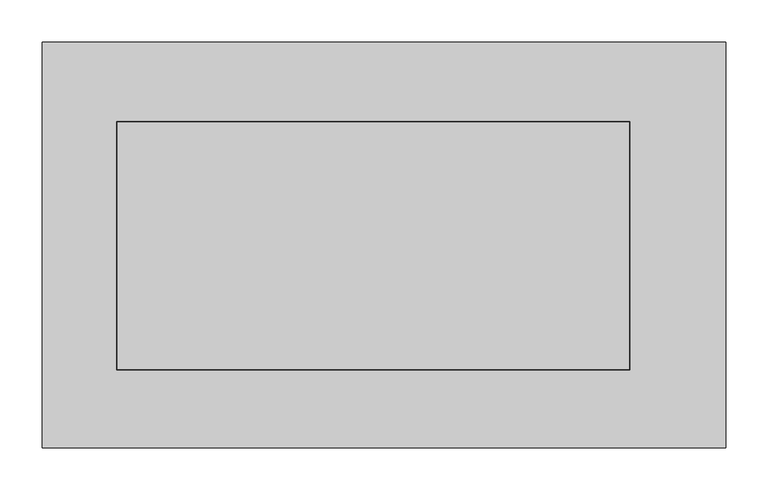
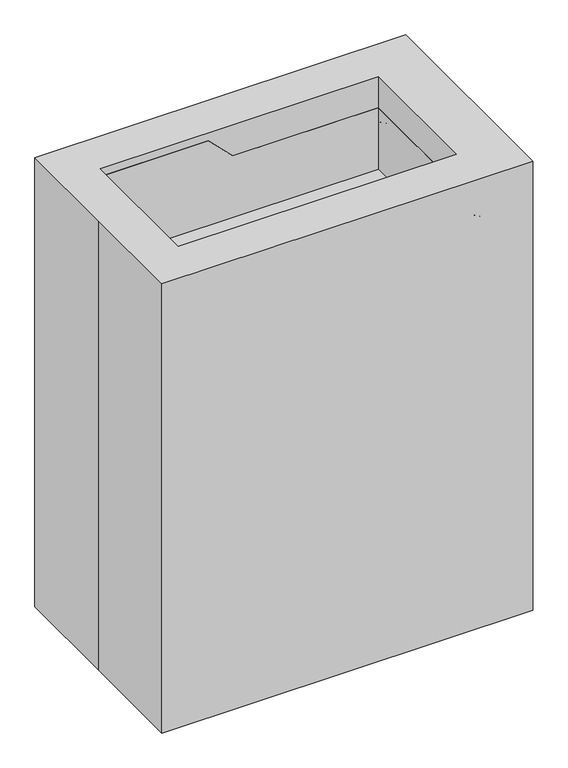
"""IFC4 building model written with IfcOpenShell, lengths in millimetres: proxy geometry."""

from ifc_helpers import new_model, si_unit, point, frame, frame_2d, origin, place, context, project, spatial, polyline, circle_curve, ellipse_curve, trimmed, segment, composite_curve, outline, extrude, faceted_brep, source, transform, mapped, element, save
from ifc_brep_helpers import plane_surface, cylinder_surface, revolved_surface, advanced_brep


def specialty_equipment_c3e9e42a(model_context):
    return source(origin(), model_context, "Body", "SolidModel", [
        faceted_brep([(-80.796148, -164.5814209, 1023.721867), (-334.796148, -164.5814209, 1023.721867), (-334.796148, -164.5814209, 804.7403302), (309.6353887, -164.5814209, 804.7403302), (309.6353887, -164.5814209, 969.8403302), (-26.9146113, -164.5814209, 969.8403302), (-80.796148, 163.9664234, 1023.721867), (-26.9146113, 163.9664234, 969.8403302), (309.6353887, 163.9664234, 969.8403302), (309.6353887, 163.9664234, 804.7403302), (-334.796148, 163.9664234, 804.7403302), (-334.796148, 163.9664234, 1023.721867), (-80.796148, -148.8135892, 1023.721867), (-317.5, -148.8135892, 1023.721867), (-317.5, 146.7519925, 1023.721867), (-80.796148, 146.7519925, 1023.721867), (-26.9146113, 146.7519925, 969.8403302), (292.1, 146.7519925, 969.8403302), (292.1, -148.8135892, 969.8403302), (-26.9146113, -148.8135892, 969.8403302), (-317.5, -148.8135892, 826.871867), (292.1, -148.8135892, 826.871867), (-317.5, 146.7519925, 826.871867), (292.1, 146.7519925, 826.871867)], [[[0, 1, 2, 3, 4, 5]], [[6, 7, 8, 9, 10, 11]], [[1, 0, 12, 13, 14, 15, 6, 11]], [[2, 1, 11, 10]], [[3, 2, 10, 9]], [[4, 3, 9, 8]], [[5, 4, 8, 7, 16, 17, 18, 19]], [[0, 5, 19, 12]], [[7, 6, 15, 16]], [[20, 13, 12, 19, 18, 21]], [[22, 23, 17, 16, 15, 14]], [[20, 21, 23, 22]], [[23, 21, 18, 17]], [[13, 20, 22, 14]]]),
        advanced_brep(
        [(-380.363865, -160.8666667, 45.2201722), (-380.363865, -194.7333333, 45.2201722), (-380.363865, -160.8666667, 858.0201722), (-380.363865, -194.7333333, 858.0201722), (-304.163865, -160.8666667, 934.2201722), (-304.163865, -194.7333333, 934.2201722), (288.5028017, -160.8666667, 934.2201722), (288.5028017, -194.7333333, 934.2201722), (364.7028017, -160.8666667, 858.0201722), (364.7028017, -194.7333333, 858.0201722), (364.7028017, -160.8666667, 45.2201722), (364.7028017, -194.7333333, 45.2201722)],
        [
            (0, 1, circle_curve(frame((-380.363865, -177.8, 45.2201722), z_axis=(0.0, 0.0, -1.0), x_axis=(-1.0, 0.0, 0.0)), 16.9333333)),
            (1, 0, circle_curve(frame((-380.363865, -177.8, 45.2201722), z_axis=(0.0, 0.0, -1.0), x_axis=(-1.0, 0.0, 0.0)), 16.9333333)),
            (0, 2),
            (2, 3, circle_curve(frame((-380.363865, -177.8, 858.0201722), z_axis=(0.0, 0.0, -1.0), x_axis=(-1.0, 0.0, 0.0)), 16.9333333)),
            (3, 1),
            (3, 2, circle_curve(frame((-380.363865, -177.8, 858.0201722), z_axis=(0.0, 0.0, -1.0), x_axis=(-1.0, 0.0, 0.0)), 16.9333333)),
            (2, 4, circle_curve(frame((-304.163865, -160.8666667, 858.0201722), z_axis=(0.0, 1.0, 0.0), x_axis=(-1.0, 0.0, 0.0)), 76.2)),
            (4, 5, circle_curve(frame((-304.163865, -177.8, 934.2201722), z_axis=(-1.0, 0.0, 0.0), x_axis=(0.0, 0.0, 1.0)), 16.9333333)),
            (5, 3, circle_curve(frame((-304.163865, -194.7333333, 858.0201722), z_axis=(0.0, -1.0, 0.0), x_axis=(-1.0, 0.0, 0.0)), 76.2)),
            (5, 4, circle_curve(frame((-304.163865, -177.8, 934.2201722), z_axis=(-1.0, 0.0, 0.0), x_axis=(0.0, 0.0, 1.0)), 16.9333333)),
            (4, 6),
            (6, 7, circle_curve(frame((288.5028017, -177.8, 934.2201722), z_axis=(-1.0, 0.0, 0.0), x_axis=(0.0, 0.0, 1.0)), 16.9333333)),
            (7, 5),
            (7, 6, circle_curve(frame((288.5028017, -177.8, 934.2201722), z_axis=(-1.0, 0.0, 0.0), x_axis=(0.0, 0.0, 1.0)), 16.9333333)),
            (6, 8, circle_curve(frame((288.5028017, -160.8666667, 858.0201722), z_axis=(0.0, 1.0, 0.0), x_axis=(0.0, 0.0, 1.0)), 76.2)),
            (8, 9, circle_curve(frame((364.7028017, -177.8, 858.0201722), z_axis=(0.0, 0.0, 1.0), x_axis=(1.0, 0.0, 0.0)), 16.9333333)),
            (9, 7, circle_curve(frame((288.5028017, -194.7333333, 858.0201722), z_axis=(0.0, -1.0, 0.0), x_axis=(0.0, 0.0, 1.0)), 76.2)),
            (9, 8, circle_curve(frame((364.7028017, -177.8, 858.0201722), z_axis=(0.0, 0.0, 1.0), x_axis=(1.0, 0.0, 0.0)), 16.9333333)),
            (10, 11, circle_curve(frame((364.7028017, -177.8, 45.2201722), z_axis=(0.0, 0.0, -1.0), x_axis=(1.0, 0.0, 0.0)), 16.9333333)),
            (11, 10, circle_curve(frame((364.7028017, -177.8, 45.2201722), z_axis=(0.0, 0.0, -1.0), x_axis=(1.0, 0.0, 0.0)), 16.9333333)),
            (8, 10),
            (11, 9),
        ],
        [
            plane_surface(frame((-380.363865, 0.0, 45.2201722), z_axis=(0.0, 0.0, -1.0), x_axis=(0.0, -1.0, 0.0))),
            cylinder_surface(frame((-380.363865, -177.8, 45.2201722), z_axis=(0.0, 0.0, -1.0), x_axis=(-1.0, 0.0, 0.0)), 16.9333333),
            revolved_surface(trimmed(ellipse_curve(frame((-380.363865, -177.8, 858.0201722), z_axis=(0.0, 0.0, -1.0), x_axis=(-1.0, 0.0, 0.0)), 16.9333333, 16.9333333), [point((-380.363865, -160.8666667, 858.0201722))], [point((-380.363865, -194.7333333, 858.0201722))], True, "CARTESIAN"), (-304.163865, 0.0, 858.0201722), (0.0, 1.0, 0.0)),
            revolved_surface(trimmed(ellipse_curve(frame((-380.363865, -177.8, 858.0201722), z_axis=(0.0, 0.0, -1.0), x_axis=(-1.0, 0.0, 0.0)), 16.9333333, 16.9333333), [point((-380.363865, -194.7333333, 858.0201722))], [point((-380.363865, -160.8666667, 858.0201722))], True, "CARTESIAN"), (-304.163865, 0.0, 858.0201722), (0.0, 1.0, 0.0)),
            cylinder_surface(frame((-304.163865, -177.8, 934.2201722), z_axis=(-1.0, 0.0, 0.0), x_axis=(0.0, 0.0, 1.0)), 16.9333333),
            revolved_surface(trimmed(ellipse_curve(frame((288.5028017, -177.8, 934.2201722), z_axis=(-1.0, 0.0, 0.0), x_axis=(0.0, 0.0, 1.0)), 16.9333333, 16.9333333), [point((288.5028017, -160.8666667, 934.2201722))], [point((288.5028017, -194.7333333, 934.2201722))], True, "CARTESIAN"), (288.5028017, 0.0, 858.0201722), (0.0, 1.0, 0.0)),
            revolved_surface(trimmed(ellipse_curve(frame((288.5028017, -177.8, 934.2201722), z_axis=(-1.0, 0.0, 0.0), x_axis=(0.0, 0.0, 1.0)), 16.9333333, 16.9333333), [point((288.5028017, -194.7333333, 934.2201722))], [point((288.5028017, -160.8666667, 934.2201722))], True, "CARTESIAN"), (288.5028017, 0.0, 858.0201722), (0.0, 1.0, 0.0)),
            plane_surface(frame((364.7028017, 0.0, 45.2201722), z_axis=(0.0, 0.0, -1.0), x_axis=(0.0, -1.0, 0.0))),
            cylinder_surface(frame((364.7028017, -177.8, 858.0201722), z_axis=(0.0, 0.0, 1.0), x_axis=(1.0, 0.0, 0.0)), 16.9333333),
        ],
        [
            (0, [[1, 2]]),
            (1, [[-1, 3, 4, 5]]),
            (1, [[-2, -5, 6, -3]]),
            (2, [[-4, 7, 8, 9]]),
            (3, [[-6, -9, 10, -7]]),
            (4, [[-8, 11, 12, 13]]),
            (4, [[-10, -13, 14, -11]]),
            (5, [[-12, 15, 16, 17]]),
            (6, [[-14, -17, 18, -15]]),
            (7, [[19, 20]]),
            (8, [[-16, 21, -20, 22]]),
            (8, [[-18, -22, -19, -21]]),
        ],
    ),
        advanced_brep(
        [(-380.363865, 194.7333333, 45.2201722), (-380.363865, 160.8666667, 45.2201722), (-380.363865, 194.7333333, 858.0201722), (-380.363865, 160.8666667, 858.0201722), (-304.163865, 194.7333333, 934.2201722), (-304.163865, 160.8666667, 934.2201722), (288.5028017, 194.7333333, 934.2201722), (288.5028017, 160.8666667, 934.2201722), (364.7028017, 194.7333333, 858.0201722), (364.7028017, 160.8666667, 858.0201722), (364.7028017, 194.7333333, 45.2201722), (364.7028017, 160.8666667, 45.2201722)],
        [
            (0, 1, circle_curve(frame((-380.363865, 177.8, 45.2201722), z_axis=(0.0, 0.0, -1.0), x_axis=(-1.0, 0.0, 0.0)), 16.9333333)),
            (1, 0, circle_curve(frame((-380.363865, 177.8, 45.2201722), z_axis=(0.0, 0.0, -1.0), x_axis=(-1.0, 0.0, 0.0)), 16.9333333)),
            (0, 2),
            (2, 3, circle_curve(frame((-380.363865, 177.8, 858.0201722), z_axis=(0.0, 0.0, -1.0), x_axis=(-1.0, 0.0, 0.0)), 16.9333333)),
            (3, 1),
            (3, 2, circle_curve(frame((-380.363865, 177.8, 858.0201722), z_axis=(0.0, 0.0, -1.0), x_axis=(-1.0, 0.0, 0.0)), 16.9333333)),
            (2, 4, circle_curve(frame((-304.163865, 194.7333333, 858.0201722), z_axis=(0.0, 1.0, 0.0), x_axis=(-1.0, 0.0, 0.0)), 76.2)),
            (4, 5, circle_curve(frame((-304.163865, 177.8, 934.2201722), z_axis=(-1.0, 0.0, 0.0), x_axis=(0.0, 0.0, 1.0)), 16.9333333)),
            (5, 3, circle_curve(frame((-304.163865, 160.8666667, 858.0201722), z_axis=(0.0, -1.0, 0.0), x_axis=(-1.0, 0.0, 0.0)), 76.2)),
            (5, 4, circle_curve(frame((-304.163865, 177.8, 934.2201722), z_axis=(-1.0, 0.0, 0.0), x_axis=(0.0, 0.0, 1.0)), 16.9333333)),
            (4, 6),
            (6, 7, circle_curve(frame((288.5028017, 177.8, 934.2201722), z_axis=(-1.0, 0.0, 0.0), x_axis=(0.0, 0.0, 1.0)), 16.9333333)),
            (7, 5),
            (7, 6, circle_curve(frame((288.5028017, 177.8, 934.2201722), z_axis=(-1.0, 0.0, 0.0), x_axis=(0.0, 0.0, 1.0)), 16.9333333)),
            (6, 8, circle_curve(frame((288.5028017, 194.7333333, 858.0201722), z_axis=(0.0, 1.0, 0.0), x_axis=(0.0, 0.0, 1.0)), 76.2)),
            (8, 9, circle_curve(frame((364.7028017, 177.8, 858.0201722), z_axis=(0.0, 0.0, 1.0), x_axis=(1.0, 0.0, 0.0)), 16.9333333)),
            (9, 7, circle_curve(frame((288.5028017, 160.8666667, 858.0201722), z_axis=(0.0, -1.0, 0.0), x_axis=(0.0, 0.0, 1.0)), 76.2)),
            (9, 8, circle_curve(frame((364.7028017, 177.8, 858.0201722), z_axis=(0.0, 0.0, 1.0), x_axis=(1.0, 0.0, 0.0)), 16.9333333)),
            (10, 11, circle_curve(frame((364.7028017, 177.8, 45.2201722), z_axis=(0.0, 0.0, -1.0), x_axis=(1.0, 0.0, 0.0)), 16.9333333)),
            (11, 10, circle_curve(frame((364.7028017, 177.8, 45.2201722), z_axis=(0.0, 0.0, -1.0), x_axis=(1.0, 0.0, 0.0)), 16.9333333)),
            (8, 10),
            (11, 9),
        ],
        [
            plane_surface(frame((-380.363865, 0.0, 45.2201722), z_axis=(0.0, 0.0, -1.0), x_axis=(0.0, -1.0, 0.0))),
            cylinder_surface(frame((-380.363865, 177.8, 45.2201722), z_axis=(0.0, 0.0, -1.0), x_axis=(-1.0, 0.0, 0.0)), 16.9333333),
            revolved_surface(trimmed(ellipse_curve(frame((-380.363865, 177.8, 858.0201722), z_axis=(0.0, 0.0, -1.0), x_axis=(-1.0, 0.0, 0.0)), 16.9333333, 16.9333333), [point((-380.363865, 194.7333333, 858.0201722))], [point((-380.363865, 160.8666667, 858.0201722))], True, "CARTESIAN"), (-304.163865, 0.0, 858.0201722), (0.0, 1.0, 0.0)),
            revolved_surface(trimmed(ellipse_curve(frame((-380.363865, 177.8, 858.0201722), z_axis=(0.0, 0.0, -1.0), x_axis=(-1.0, 0.0, 0.0)), 16.9333333, 16.9333333), [point((-380.363865, 160.8666667, 858.0201722))], [point((-380.363865, 194.7333333, 858.0201722))], True, "CARTESIAN"), (-304.163865, 0.0, 858.0201722), (0.0, 1.0, 0.0)),
            cylinder_surface(frame((-304.163865, 177.8, 934.2201722), z_axis=(-1.0, 0.0, 0.0), x_axis=(0.0, 0.0, 1.0)), 16.9333333),
            revolved_surface(trimmed(ellipse_curve(frame((288.5028017, 177.8, 934.2201722), z_axis=(-1.0, 0.0, 0.0), x_axis=(0.0, 0.0, 1.0)), 16.9333333, 16.9333333), [point((288.5028017, 194.7333333, 934.2201722))], [point((288.5028017, 160.8666667, 934.2201722))], True, "CARTESIAN"), (288.5028017, 0.0, 858.0201722), (0.0, 1.0, 0.0)),
            revolved_surface(trimmed(ellipse_curve(frame((288.5028017, 177.8, 934.2201722), z_axis=(-1.0, 0.0, 0.0), x_axis=(0.0, 0.0, 1.0)), 16.9333333, 16.9333333), [point((288.5028017, 160.8666667, 934.2201722))], [point((288.5028017, 194.7333333, 934.2201722))], True, "CARTESIAN"), (288.5028017, 0.0, 858.0201722), (0.0, 1.0, 0.0)),
            plane_surface(frame((364.7028017, 0.0, 45.2201722), z_axis=(0.0, 0.0, -1.0), x_axis=(0.0, -1.0, 0.0))),
            cylinder_surface(frame((364.7028017, 177.8, 858.0201722), z_axis=(0.0, 0.0, 1.0), x_axis=(1.0, 0.0, 0.0)), 16.9333333),
        ],
        [
            (0, [[1, 2]]),
            (1, [[-1, 3, 4, 5]]),
            (1, [[-2, -5, 6, -3]]),
            (2, [[-4, 7, 8, 9]]),
            (3, [[-6, -9, 10, -7]]),
            (4, [[-8, 11, 12, 13]]),
            (4, [[-10, -13, 14, -11]]),
            (5, [[-12, 15, 16, 17]]),
            (6, [[-14, -17, 18, -15]]),
            (7, [[19, 20]]),
            (8, [[-16, 21, -20, 22]]),
            (8, [[-18, -22, -19, -21]]),
        ],
    ),
        faceted_brep([(-406.4, 241.3, 1041.4), (-406.4, 0.0, 1041.4), (-406.4, -241.3, 1041.4), (406.4, -241.3, 1041.4), (406.4, 241.3, 1041.4), (292.1, -148.8135892, 1041.4), (-317.5, -148.8135892, 1041.4), (-317.5, 146.7519925, 1041.4), (292.1, 146.7519925, 1041.4), (-406.4, 241.3, 0.0), (406.4, 241.3, 0.0), (406.4, -241.3, 0.0), (-406.4, -241.3, 0.0), (-406.4, 0.0, 0.0), (-317.5, -148.8135892, 826.871867), (-317.5, -148.8135892, 1023.721867), (292.1, -148.8135892, 826.871867), (-317.5, 146.7519925, 826.871867), (292.1, 146.7519925, 826.871867), (-317.5, 146.7519925, 1023.721867)], [[[0, 1, 2, 3, 4], [5, 6, 7, 8]], [[9, 10, 11, 12, 13]], [[1, 0, 9, 13]], [[2, 1, 13, 12]], [[3, 2, 12, 11]], [[4, 3, 11, 10]], [[0, 4, 10, 9]], [[14, 15, 6, 5, 16]], [[17, 18, 8, 7, 19]], [[14, 16, 18, 17]], [[16, 5, 8, 18]], [[6, 15, 19, 7]], [[15, 14, 17, 19]]]),
        extrude(outline(composite_curve([segment(polyline([(360.8292378, 196.85), (360.8292378, 190.0373169)]), True, "CONTINUOUS"), segment(trimmed(circle_curve(frame_2d((372.5274905, 177.8)), 16.9292953), [point((360.8292378, 190.0373169))], [point((360.8292378, 165.5626831))], True, "CARTESIAN"), True, "CONTINUOUS"), segment(polyline([(360.8292378, 165.5626831), (360.8292378, -165.5626831)]), True, "CONTINUOUS"), segment(trimmed(circle_curve(frame_2d((372.5333333, -177.8)), 16.9333333), [point((360.8292378, -165.5626831))], [point((360.8292378, -190.0373169))], True, "CARTESIAN"), True, "CONTINUOUS"), segment(polyline([(360.8292378, -190.0373169), (360.8292378, -196.85), (-361.95, -196.85), (-361.95, -191.8417308)]), True, "CONTINUOUS"), segment(trimmed(circle_curve(frame_2d((-373.3669688, -178.2115758)), 17.7799972), [point((-361.95, -191.8417308))], [point((-361.95, -164.5814209))], True, "CARTESIAN"), True, "CONTINUOUS"), segment(polyline([(-361.95, -164.5814209), (-361.95, 163.9664234)]), True, "CONTINUOUS"), segment(trimmed(circle_curve(frame_2d((-373.2377005, 177.5219972)), 17.6398912), [point((-361.95, 163.9664234))], [point((-361.95, 191.077571))], True, "CARTESIAN"), True, "CONTINUOUS"), segment(polyline([(-361.95, 191.077571), (-361.95, 196.85), (360.8292378, 196.85)]), True, "CONTINUOUS")], self_intersect=False)), frame((0.0, 0.0, 582.1516667), z_axis=(0.0, 0.0, 1.0), x_axis=(1.0, 0.0, 0.0)), (0.0, 0.0, 1.0), 203.2),
        extrude(outline(composite_curve([segment(polyline([(360.8292378, 196.85), (360.8292378, 190.0373169)]), True, "CONTINUOUS"), segment(trimmed(circle_curve(frame_2d((372.5274905, 177.8)), 16.9292953), [point((360.8292378, 190.0373169))], [point((360.8292378, 165.5626831))], True, "CARTESIAN"), True, "CONTINUOUS"), segment(polyline([(360.8292378, 165.5626831), (360.8292378, -165.5626831)]), True, "CONTINUOUS"), segment(trimmed(circle_curve(frame_2d((372.5333333, -177.8)), 16.9333333), [point((360.8292378, -165.5626831))], [point((360.8292378, -190.0373169))], True, "CARTESIAN"), True, "CONTINUOUS"), segment(polyline([(360.8292378, -190.0373169), (360.8292378, -196.85), (-361.95, -196.85), (-361.95, -191.8417308)]), True, "CONTINUOUS"), segment(trimmed(circle_curve(frame_2d((-373.3669688, -178.2115758)), 17.7799972), [point((-361.95, -191.8417308))], [point((-361.95, -164.5814209))], True, "CARTESIAN"), True, "CONTINUOUS"), segment(polyline([(-361.95, -164.5814209), (-361.95, 163.9664234)]), True, "CONTINUOUS"), segment(trimmed(circle_curve(frame_2d((-373.2377005, 177.5219972)), 17.6398912), [point((-361.95, 163.9664234))], [point((-361.95, 191.077571))], True, "CARTESIAN"), True, "CONTINUOUS"), segment(polyline([(-361.95, 191.077571), (-361.95, 196.85), (360.8292378, 196.85)]), True, "CONTINUOUS")], self_intersect=False)), frame((0.0, 0.0, 271.0016667), z_axis=(0.0, 0.0, 1.0), x_axis=(1.0, 0.0, 0.0)), (0.0, 0.0, 1.0), 38.1),
        extrude(outline(composite_curve([segment(trimmed(circle_curve(frame_2d((50.8, 355.6)), 50.8), [point((50.8, 406.4))], [point((50.8, 304.8))], False, "CARTESIAN"), True, "CONTINUOUS"), segment(trimmed(circle_curve(frame_2d((50.8, 355.6)), 50.8), [point((50.8, 304.8))], [point((50.8, 406.4))], False, "CARTESIAN"), True, "CONTINUOUS")], self_intersect=False)), frame((0.0, 139.7, 0.0), z_axis=(0.0, 1.0, 0.0), x_axis=(0.0, 0.0, 1.0)), (0.0, 0.0, 1.0), 19.05),
        extrude(outline(composite_curve([segment(trimmed(circle_curve(frame_2d((50.8, 355.6)), 50.8), [point((50.8, 406.4))], [point((50.8, 304.8))], False, "CARTESIAN"), True, "CONTINUOUS"), segment(trimmed(circle_curve(frame_2d((50.8, 355.6)), 50.8), [point((50.8, 304.8))], [point((50.8, 406.4))], False, "CARTESIAN"), True, "CONTINUOUS")], self_intersect=False)), frame((0.0, 196.85, 0.0), z_axis=(0.0, 1.0, 0.0), x_axis=(0.0, 0.0, 1.0)), (0.0, 0.0, 1.0), 19.05),
        extrude(outline(composite_curve([segment(trimmed(circle_curve(frame_2d((372.5333333, 178.0471994)), 16.9333333), [point((372.5333333, 194.9805327))], [point((372.5333333, 161.1138661))], False, "CARTESIAN"), True, "CONTINUOUS"), segment(trimmed(circle_curve(frame_2d((372.5333333, 178.0471994)), 16.9333333), [point((372.5333333, 161.1138661))], [point((372.5333333, 194.9805327))], False, "CARTESIAN"), True, "CONTINUOUS")], self_intersect=False)), frame((0.0, 0.0, 50.8), z_axis=(0.0, 0.0, 1.0), x_axis=(1.0, 0.0, 0.0)), (0.0, 0.0, 1.0), 50.8),
        extrude(outline(composite_curve([segment(trimmed(circle_curve(frame_2d((50.8, 355.6)), 33.8666667), [point((50.8, 321.7333333))], [point((50.8, 389.4666667))], False, "CARTESIAN"), True, "CONTINUOUS"), segment(trimmed(circle_curve(frame_2d((50.8, 355.6)), 33.8666667), [point((50.8, 389.4666667))], [point((50.8, 321.7333333))], False, "CARTESIAN"), True, "CONTINUOUS")], self_intersect=False)), frame((0.0, 158.75, 0.0), z_axis=(0.0, 1.0, 0.0), x_axis=(0.0, 0.0, 1.0)), (0.0, 0.0, 1.0), 38.1),
        extrude(outline(composite_curve([segment(trimmed(circle_curve(frame_2d((50.8, -355.6)), 50.8), [point((50.8, -406.4))], [point((50.8, -304.8))], False, "CARTESIAN"), True, "CONTINUOUS"), segment(trimmed(circle_curve(frame_2d((50.8, -355.6)), 50.8), [point((50.8, -304.8))], [point((50.8, -406.4))], False, "CARTESIAN"), True, "CONTINUOUS")], self_intersect=False)), frame((0.0, 139.7, 0.0), z_axis=(0.0, 1.0, 0.0), x_axis=(0.0, 0.0, 1.0)), (0.0, 0.0, 1.0), 19.05),
        extrude(outline(composite_curve([segment(trimmed(circle_curve(frame_2d((50.8, -355.6)), 50.8), [point((50.8, -406.4))], [point((50.8, -304.8))], False, "CARTESIAN"), True, "CONTINUOUS"), segment(trimmed(circle_curve(frame_2d((50.8, -355.6)), 50.8), [point((50.8, -304.8))], [point((50.8, -406.4))], False, "CARTESIAN"), True, "CONTINUOUS")], self_intersect=False)), frame((0.0, 196.85, 0.0), z_axis=(0.0, 1.0, 0.0), x_axis=(0.0, 0.0, 1.0)), (0.0, 0.0, 1.0), 19.05),
        extrude(outline(composite_curve([segment(trimmed(circle_curve(frame_2d((-372.0981129, 177.5219972)), 16.9333333), [point((-372.0981129, 194.4553305))], [point((-372.0981129, 160.5886639))], False, "CARTESIAN"), True, "CONTINUOUS"), segment(trimmed(circle_curve(frame_2d((-372.0981129, 177.5219972)), 16.9333333), [point((-372.0981129, 160.5886639))], [point((-372.0981129, 194.4553305))], False, "CARTESIAN"), True, "CONTINUOUS")], self_intersect=False)), frame((0.0, 0.0, 50.8), z_axis=(0.0, 0.0, 1.0), x_axis=(1.0, 0.0, 0.0)), (0.0, 0.0, 1.0), 50.8),
        extrude(outline(composite_curve([segment(trimmed(circle_curve(frame_2d((50.8, -355.6)), 33.8666667), [point((50.8, -321.7333333))], [point((50.8, -389.4666667))], False, "CARTESIAN"), True, "CONTINUOUS"), segment(trimmed(circle_curve(frame_2d((50.8, -355.6)), 33.8666667), [point((50.8, -389.4666667))], [point((50.8, -321.7333333))], False, "CARTESIAN"), True, "CONTINUOUS")], self_intersect=False)), frame((0.0, 158.75, 0.0), z_axis=(0.0, 1.0, 0.0), x_axis=(0.0, 0.0, 1.0)), (0.0, 0.0, 1.0), 38.1),
        extrude(outline(composite_curve([segment(trimmed(circle_curve(frame_2d((50.8, 355.6)), 50.8), [point((50.8, 406.4))], [point((50.8, 304.8))], False, "CARTESIAN"), True, "CONTINUOUS"), segment(trimmed(circle_curve(frame_2d((50.8, 355.6)), 50.8), [point((50.8, 304.8))], [point((50.8, 406.4))], False, "CARTESIAN"), True, "CONTINUOUS")], self_intersect=False)), frame((0.0, -158.75, 0.0), z_axis=(0.0, 1.0, 0.0), x_axis=(0.0, 0.0, 1.0)), (0.0, 0.0, 1.0), 19.05),
        extrude(outline(composite_curve([segment(trimmed(circle_curve(frame_2d((50.8, 355.6)), 50.8), [point((50.8, 406.4))], [point((50.8, 304.8))], False, "CARTESIAN"), True, "CONTINUOUS"), segment(trimmed(circle_curve(frame_2d((50.8, 355.6)), 50.8), [point((50.8, 304.8))], [point((50.8, 406.4))], False, "CARTESIAN"), True, "CONTINUOUS")], self_intersect=False)), frame((0.0, -215.9, 0.0), z_axis=(0.0, 1.0, 0.0), x_axis=(0.0, 0.0, 1.0)), (0.0, 0.0, 1.0), 19.05),
        extrude(outline(composite_curve([segment(trimmed(circle_curve(frame_2d((373.1952491, -178.0471994)), 16.9333333), [point((373.1952491, -194.9805327))], [point((373.1952491, -161.1138661))], False, "CARTESIAN"), True, "CONTINUOUS"), segment(trimmed(circle_curve(frame_2d((373.1952491, -178.0471994)), 16.9333333), [point((373.1952491, -161.1138661))], [point((373.1952491, -194.9805327))], False, "CARTESIAN"), True, "CONTINUOUS")], self_intersect=False)), frame((0.0, 0.0, 50.8), z_axis=(0.0, 0.0, 1.0), x_axis=(1.0, 0.0, 0.0)), (0.0, 0.0, 1.0), 50.8),
        extrude(outline(composite_curve([segment(trimmed(circle_curve(frame_2d((50.8, 355.6)), 33.8666667), [point((50.8, 321.7333333))], [point((50.8, 389.4666667))], False, "CARTESIAN"), True, "CONTINUOUS"), segment(trimmed(circle_curve(frame_2d((50.8, 355.6)), 33.8666667), [point((50.8, 389.4666667))], [point((50.8, 321.7333333))], False, "CARTESIAN"), True, "CONTINUOUS")], self_intersect=False)), frame((0.0, -196.85, 0.0), z_axis=(0.0, 1.0, 0.0), x_axis=(0.0, 0.0, 1.0)), (0.0, 0.0, 1.0), 38.1),
        extrude(outline(composite_curve([segment(trimmed(circle_curve(frame_2d((50.8, -355.6)), 50.8), [point((50.8, -406.4))], [point((50.8, -304.8))], False, "CARTESIAN"), True, "CONTINUOUS"), segment(trimmed(circle_curve(frame_2d((50.8, -355.6)), 50.8), [point((50.8, -304.8))], [point((50.8, -406.4))], False, "CARTESIAN"), True, "CONTINUOUS")], self_intersect=False)), frame((0.0, -158.75, 0.0), z_axis=(0.0, 1.0, 0.0), x_axis=(0.0, 0.0, 1.0)), (0.0, 0.0, 1.0), 19.05),
        extrude(outline(composite_curve([segment(trimmed(circle_curve(frame_2d((50.8, -355.6)), 50.8), [point((50.8, -406.4))], [point((50.8, -304.8))], False, "CARTESIAN"), True, "CONTINUOUS"), segment(trimmed(circle_curve(frame_2d((50.8, -355.6)), 50.8), [point((50.8, -304.8))], [point((50.8, -406.4))], False, "CARTESIAN"), True, "CONTINUOUS")], self_intersect=False)), frame((0.0, -215.9, 0.0), z_axis=(0.0, 1.0, 0.0), x_axis=(0.0, 0.0, 1.0)), (0.0, 0.0, 1.0), 19.05),
        extrude(outline(composite_curve([segment(trimmed(circle_curve(frame_2d((-372.5333333, -177.5310472)), 16.9333333), [point((-372.5333333, -194.4643805))], [point((-372.5333333, -160.5977138))], False, "CARTESIAN"), True, "CONTINUOUS"), segment(trimmed(circle_curve(frame_2d((-372.5333333, -177.5310472)), 16.9333333), [point((-372.5333333, -160.5977138))], [point((-372.5333333, -194.4643805))], False, "CARTESIAN"), True, "CONTINUOUS")], self_intersect=False)), frame((0.0, 0.0, 50.8), z_axis=(0.0, 0.0, 1.0), x_axis=(1.0, 0.0, 0.0)), (0.0, 0.0, 1.0), 50.8),
        extrude(outline(composite_curve([segment(trimmed(circle_curve(frame_2d((50.8, -355.6)), 33.8666667), [point((50.8, -321.7333333))], [point((50.8, -389.4666667))], False, "CARTESIAN"), True, "CONTINUOUS"), segment(trimmed(circle_curve(frame_2d((50.8, -355.6)), 33.8666667), [point((50.8, -389.4666667))], [point((50.8, -321.7333333))], False, "CARTESIAN"), True, "CONTINUOUS")], self_intersect=False)), frame((0.0, -196.85, 0.0), z_axis=(0.0, 1.0, 0.0), x_axis=(0.0, 0.0, 1.0)), (0.0, 0.0, 1.0), 38.1),
    ])


if __name__ == "__main__":
    model = new_model("IFC4")
    model_context = context("Model", 3, world=origin())
    ifc_project = project(units=[si_unit("LENGTHUNIT", "METRE", prefix="MILLI")], contexts=[model_context])
    site = spatial("IfcSite", under=ifc_project)
    building = spatial("IfcBuilding", under=site)
    placement = place(None, origin())
    specialty_equipment_shape = specialty_equipment_c3e9e42a(model_context)
    element("IfcBuildingElementProxy", 1, Name="Specialty Equipment", at=placement, inside=building, context=model_context, shape_type="MappedRepresentation", body=[
        mapped(specialty_equipment_shape, transform((0.0, 0.0, 0.0), x_axis=(1.0, 0.0, 0.0), y_axis=(0.0, 1.0, 0.0), z_axis=(0.0, 0.0, 1.0))),
    ])
    save(model, "model.ifc")
